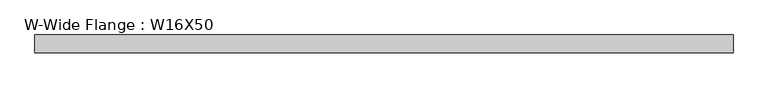
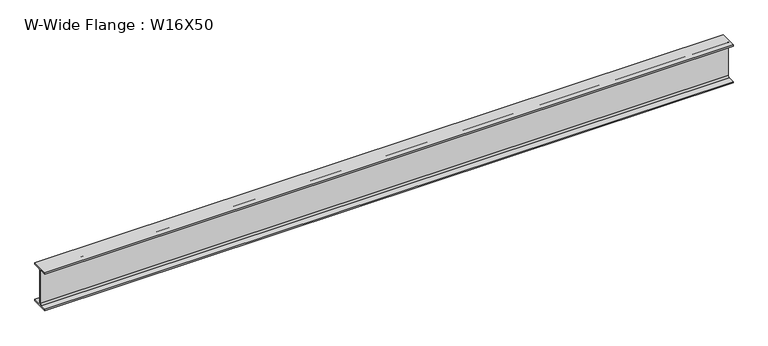
"""IFC4 building model written with IfcOpenShell, lengths in millimetres: beam geometry, W-Wide Flange : W16X50."""

from ifc_helpers import new_model, si_unit, point, frame, frame_2d, origin, place, context, project, spatial, polyline, circle_curve, trimmed, segment, composite_curve, outline, extrude, source, transform, mapped, element, save


def w_wide_flange_w16x50_f94717fe(model_context):
    return source(origin(), model_context, "Body", "SweptSolid", [
        extrude(outline(composite_curve([segment(polyline([(89.8, -191.0), (89.8, -207.0), (-89.8, -207.0), (-89.8, -191.0), (-22.15, -191.0)]), True, "CONTINUOUS"), segment(trimmed(circle_curve(frame_2d((-22.15, -173.7)), 17.3), [point((-22.15, -191.0))], [point((-4.85, -173.7))], True, "CARTESIAN"), True, "CONTINUOUS"), segment(polyline([(-4.85, -173.7), (-4.85, 173.7)]), True, "CONTINUOUS"), segment(trimmed(circle_curve(frame_2d((-22.15, 173.7)), 17.3), [point((-4.85, 173.7))], [point((-22.15, 191.0))], True, "CARTESIAN"), True, "CONTINUOUS"), segment(polyline([(-22.15, 191.0), (-89.8, 191.0), (-89.8, 207.0), (89.8, 207.0), (89.8, 191.0), (22.15, 191.0)]), True, "CONTINUOUS"), segment(trimmed(circle_curve(frame_2d((22.15, 173.7)), 17.3), [point((22.15, 191.0))], [point((4.85, 173.7))], True, "CARTESIAN"), True, "CONTINUOUS"), segment(polyline([(4.85, 173.7), (4.85, -173.7)]), True, "CONTINUOUS"), segment(trimmed(circle_curve(frame_2d((22.15, -173.7)), 17.3), [point((4.85, -173.7))], [point((22.15, -191.0))], True, "CARTESIAN"), True, "CONTINUOUS"), segment(polyline([(22.15, -191.0), (89.8, -191.0)]), True, "CONTINUOUS")], self_intersect=False)), frame((-3614.8775269, 0.0, 0.0), z_axis=(1.0, 0.0, 0.0), x_axis=(0.0, 1.0, 0.0)), (0.0, 0.0, 1.0), 7077.8849247),
    ])


if __name__ == "__main__":
    model = new_model("IFC4")
    model_context = context("Model", 3, world=origin())
    ifc_project = project(units=[si_unit("LENGTHUNIT", "METRE", prefix="MILLI")], contexts=[model_context])
    site = spatial("IfcSite", under=ifc_project)
    building = spatial("IfcBuilding", under=site)
    placement = place(None, origin())
    w_wide_flange_w16x50_shape = w_wide_flange_w16x50_f94717fe(model_context)
    element("IfcBeam", 1, ObjectType="W-Wide Flange : W16X50", at=placement, inside=building, context=model_context, shape_type="MappedRepresentation", body=[
        mapped(w_wide_flange_w16x50_shape, transform((0.0, 0.0, 0.0), x_axis=(1.0, 0.0, 0.0), y_axis=(0.0, 1.0, 0.0), z_axis=(0.0, 0.0, 1.0))),
    ])
    save(model, "model.ifc")
